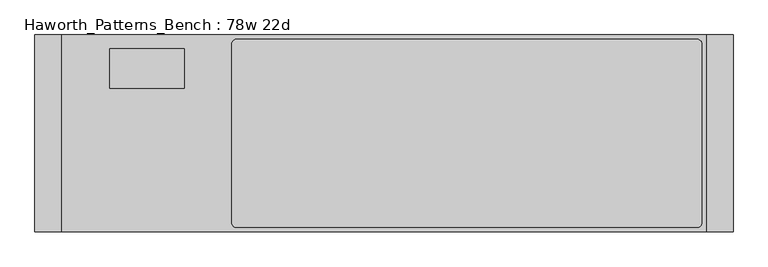
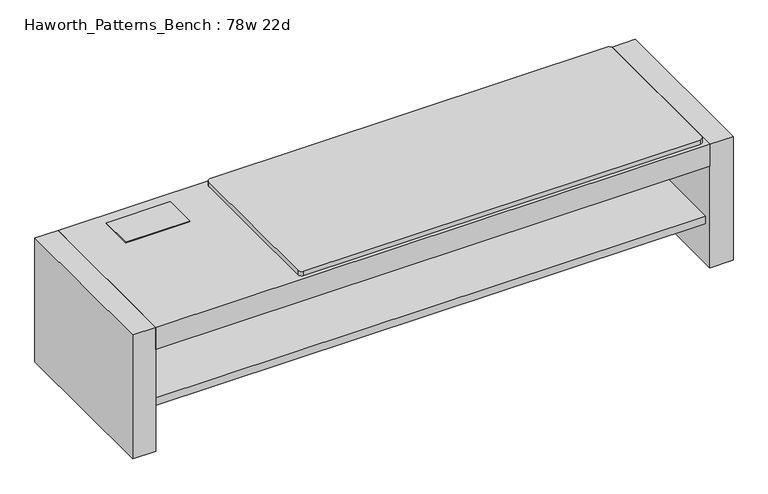
"""IFC4 building model written with IfcOpenShell, lengths in millimetres: furniture geometry, Haworth_Patterns_Bench : 78w 22d."""

import ifcopenshell
import ifcopenshell.guid

model = None  # the IFC model being written
_history = None  # IfcOwnerHistory: only IFC2X3 demands one
_inside = {}  # id of a spatial element -> (the spatial element, [elements in it])
_under = {}  # id of a project, library or spatial element -> (it, [spatial elements below it])
_declared = {}  # id of a project -> (the project, [libraries it declares])
_typed = {}  # id of a type object -> (the type object, [elements of that type])
_made_of = {}  # id of a material, layer set ... -> (it, [elements and type objects made of it])


def new_model(schema):
    """Start an empty IFC model of exactly this schema.

    Asked for "IFC4X3", IfcOpenShell would pick the latest addendum, in which some entities
    have other attributes; the version numbers below select the first issue.
    IFC2X3 requires an IfcOwnerHistory on every rooted entity: one is made here for all.
    """
    global model, _history
    if schema == "IFC4X3":
        model = ifcopenshell.file(schema_version=(4, 3, 0, 0))
    else:
        model = ifcopenshell.file(schema=schema)
    _inside.clear()
    _under.clear()
    _declared.clear()
    _typed.clear()
    _made_of.clear()
    _history = None
    if model.schema == "IFC2X3":
        org = make("IfcOrganization", Name="unknown")
        user = make(
            "IfcPersonAndOrganization",
            ThePerson=make("IfcPerson", FamilyName="unknown"),
            TheOrganization=org,
        )
        app = make(
            "IfcApplication",
            ApplicationDeveloper=org,
            Version="unknown",
            ApplicationFullName="unknown",
            ApplicationIdentifier="unknown",
        )
        _history = make(
            "IfcOwnerHistory",
            OwningUser=user,
            OwningApplication=app,
            ChangeAction="ADDED",
            CreationDate=0,
        )
    return model


def make(cls, **values):
    """One entity of the class cls with the attributes given. An attribute that is None is left unset."""
    return model.create_entity(
        cls, **{name: value for name, value in values.items() if value is not None}
    )


def rooted(cls, **values):
    """An entity with a GlobalId (a new one), such as an element, a storey or a relation."""
    return make(cls, GlobalId=ifcopenshell.guid.new(), OwnerHistory=_history, **values)


def si_unit(unit_type, name, prefix=None):
    """IfcSIUnit, for example si_unit("LENGTHUNIT", "METRE", prefix="MILLI")."""
    return make("IfcSIUnit", UnitType=unit_type, Prefix=prefix, Name=name)


def assignment(units):
    """IfcUnitAssignment: the units of a project."""
    return None if units is None else make("IfcUnitAssignment", Units=units)


def point(xyz):
    """IfcCartesianPoint."""
    return None if xyz is None else make("IfcCartesianPoint", Coordinates=xyz)


def direction(xyz):
    """IfcDirection."""
    return None if xyz is None else make("IfcDirection", DirectionRatios=xyz)


def frame(location, z_axis=None, x_axis=None):
    """IfcAxis2Placement3D, a coordinate frame: its origin and axes. An axis left out is left unset."""
    return make(
        "IfcAxis2Placement3D",
        Location=point(location),
        Axis=direction(z_axis),
        RefDirection=direction(x_axis),
    )


def frame_2d(location, x_axis=None):
    """IfcAxis2Placement2D, a coordinate frame in the plane: its origin and x axis."""
    return make(
        "IfcAxis2Placement2D", Location=point(location), RefDirection=direction(x_axis)
    )


def origin():
    """The frame at (0, 0, 0) with its axes left unset."""
    return frame((0.0, 0.0, 0.0))


def origin_with_axes():
    """The frame at (0, 0, 0) with the z axis (0, 0, 1) and the x axis (1, 0, 0) written out."""
    return frame((0.0, 0.0, 0.0), z_axis=(0.0, 0.0, 1.0), x_axis=(1.0, 0.0, 0.0))


def place(relative_to, where):
    """IfcLocalPlacement: puts the frame where relative to a parent placement (None: the world)."""
    return make(
        "IfcLocalPlacement", PlacementRelTo=relative_to, RelativePlacement=where
    )


def context(
    kind, dimensions, precision=None, world=None, true_north=None, identifier=None
):
    """IfcGeometricRepresentationContext, for example the 3D "Model" context."""
    return make(
        "IfcGeometricRepresentationContext",
        ContextIdentifier=identifier,
        ContextType=kind,
        CoordinateSpaceDimension=dimensions,
        Precision=precision,
        WorldCoordinateSystem=world,
        TrueNorth=true_north,
    )


def project(units=None, contexts=None):
    """IfcProject with its units and contexts."""
    return rooted(
        "IfcProject",
        Name="project",
        RepresentationContexts=contexts,
        UnitsInContext=assignment(units),
    )


def spatial(cls, under=None, at=None, **own):
    """A site, building, storey or space (cls), placed at a placement, below another one or the project."""
    s = rooted(cls, ObjectPlacement=at, **own)
    if under is not None:
        _under.setdefault(under.id(), (under, []))[1].append(s)
    return s


def polyline(points):
    """IfcPolyline through the points."""
    return make("IfcPolyline", Points=[point(p) for p in points])


def circle_curve(where, radius):
    """IfcCircle in the frame where."""
    return make("IfcCircle", Position=where, Radius=radius)


def trimmed(basis, trim1, trim2, sense, master):
    """IfcTrimmedCurve: the piece of a basis curve between two trims."""
    return make(
        "IfcTrimmedCurve",
        BasisCurve=basis,
        Trim1=trim1,
        Trim2=trim2,
        SenseAgreement=sense,
        MasterRepresentation=master,
    )


def segment(curve, same_sense, transition):
    """IfcCompositeCurveSegment."""
    return make(
        "IfcCompositeCurveSegment",
        Transition=transition,
        SameSense=same_sense,
        ParentCurve=curve,
    )


def composite_curve(segments, self_intersect=None):
    """IfcCompositeCurve: segments joined end to end."""
    return make("IfcCompositeCurve", Segments=segments, SelfIntersect=self_intersect)


def outline(outer, holes=None, kind="AREA"):
    """IfcArbitraryClosedProfileDef: a profile drawn as a closed curve; with holes, ...WithVoids."""
    if holes is None:
        return make("IfcArbitraryClosedProfileDef", ProfileType=kind, OuterCurve=outer)
    return make(
        "IfcArbitraryProfileDefWithVoids",
        ProfileType=kind,
        OuterCurve=outer,
        InnerCurves=holes,
    )


def extrude(swept, where, along, depth):
    """IfcExtrudedAreaSolid: the profile swept, set in the frame where, extruded along a direction by depth."""
    return make(
        "IfcExtrudedAreaSolid",
        SweptArea=swept,
        Position=where,
        ExtrudedDirection=direction(along),
        Depth=depth,
    )


def faces_of(points, faces, orient=None, outer=None):
    """IfcFace entities. A face is a list of loops; a loop is a list of indices into points, from 0.

    orient and outer hold one flag for each loop. By default every Orientation is true, the
    first loop of a face is its IfcFaceOuterBound and the others are IfcFaceBound.
    """
    made = []
    for i, loops in enumerate(faces):
        bounds = []
        for j, loop in enumerate(loops):
            is_outer = j == 0 if outer is None else outer[i][j]
            bounds.append(
                make(
                    "IfcFaceOuterBound" if is_outer else "IfcFaceBound",
                    Bound=make("IfcPolyLoop", Polygon=[points[k] for k in loop]),
                    Orientation=True if orient is None else orient[i][j],
                )
            )
        made.append(make("IfcFace", Bounds=bounds))
    return made


def faceted_brep(points, faces, orient=None, outer=None, voids=None):
    """IfcFacetedBrep: a solid bounded by flat faces; with voids (closed shells), ...WithVoids."""
    shared = [point(p) for p in points]
    hull = make("IfcClosedShell", CfsFaces=faces_of(shared, faces, orient, outer))
    if voids is None:
        return make("IfcFacetedBrep", Outer=hull)
    return make(
        "IfcFacetedBrepWithVoids",
        Outer=hull,
        Voids=[
            make(cls, CfsFaces=faces_of(shared, fs, o, b)) for cls, fs, o, b in voids
        ],
    )


def shape(context_of_items, identifier, shape_type, items):
    """IfcShapeRepresentation: the items that make up one representation, for example the "Body"."""
    return make(
        "IfcShapeRepresentation",
        ContextOfItems=context_of_items,
        RepresentationIdentifier=identifier,
        RepresentationType=shape_type,
        Items=items,
    )


def source(mapping_origin, context_of_items, identifier, shape_type, items):
    """IfcRepresentationMap: a shape defined once, which mapped items show again and again."""
    return make(
        "IfcRepresentationMap",
        MappingOrigin=mapping_origin,
        MappedRepresentation=shape(context_of_items, identifier, shape_type, items),
    )


def transform(
    local_origin,
    x_axis=None,
    y_axis=None,
    z_axis=None,
    scale=None,
    scale2=None,
    scale3=None,
    uniform=True,
):
    """IfcCartesianTransformationOperator3D, or its non-uniform kind. x_axis, y_axis, z_axis: its Axis1, 2, 3."""
    if uniform:
        return make(
            "IfcCartesianTransformationOperator3D",
            Axis1=direction(x_axis),
            Axis2=direction(y_axis),
            LocalOrigin=point(local_origin),
            Scale=scale,
            Axis3=direction(z_axis),
        )
    return make(
        "IfcCartesianTransformationOperator3DnonUniform",
        Axis1=direction(x_axis),
        Axis2=direction(y_axis),
        LocalOrigin=point(local_origin),
        Scale=scale,
        Axis3=direction(z_axis),
        Scale2=scale2,
        Scale3=scale3,
    )


def mapped(mapping_source, mapping_target):
    """IfcMappedItem: shows the shape of a source again, moved by a transform."""
    return make(
        "IfcMappedItem", MappingSource=mapping_source, MappingTarget=mapping_target
    )


def made_of(thing, what):
    """Note that an element or type object is made of a material, layer set ...; save() writes the relation."""
    if what is not None:
        _made_of.setdefault(what.id(), (what, []))[1].append(thing)
    return thing


def element(
    cls,
    number,
    at=None,
    inside=None,
    cuts=None,
    type_object=None,
    material=None,
    context=None,
    identifier="Body",
    shape_type=None,
    held_by="IfcProductDefinitionShape",
    body=None,
    shapes=None,
    **own,
):
    """One element of the class cls, such as IfcWall. Its Tag is "e" and its number.

    at: its placement. inside: the storey or other place that contains it. cuts: it is an
    opening in that element (IfcRelVoidsElement). A single representation is given by context,
    identifier, shape_type and body (its items); several are given by shapes. held_by: the class
    of the entity that holds the representations. save() writes the other relations.
    """
    e = rooted(cls, Tag="e%d" % number, ObjectPlacement=at, **own)
    if body is not None:
        shapes = [shape(context, identifier, shape_type, body)]
    if shapes is not None:
        e.Representation = make(held_by, Representations=shapes)
    if inside is not None:
        _inside.setdefault(inside.id(), (inside, []))[1].append(e)
    if cuts is not None:
        rooted(
            "IfcRelVoidsElement", RelatingBuildingElement=cuts, RelatedOpeningElement=e
        )
    if type_object is not None:
        _typed.setdefault(type_object.id(), (type_object, []))[1].append(e)
    return made_of(e, material)


def aggregate(whole, parts):
    """IfcRelAggregates: a whole, such as a stair, and the parts it consists of."""
    return rooted("IfcRelAggregates", RelatingObject=whole, RelatedObjects=parts)


def save(model, path):
    """Write the relations noted so far, then the file.

    IfcRelAggregates (storeys below a building ...), IfcRelContainedInSpatialStructure (elements
    in a storey), IfcRelDefinesByType, IfcRelAssociatesMaterial and IfcRelDeclares: one each for
    every whole, place, type object, material and project.
    """
    for whole, parts in _under.values():
        aggregate(whole, parts)
    for where, things in _inside.values():
        rooted(
            "IfcRelContainedInSpatialStructure",
            RelatedElements=things,
            RelatingStructure=where,
        )
    for kind, things in _typed.values():
        rooted("IfcRelDefinesByType", RelatedObjects=things, RelatingType=kind)
    for what, things in _made_of.values():
        rooted("IfcRelAssociatesMaterial", RelatedObjects=things, RelatingMaterial=what)
    for by, libraries in _declared.values():
        rooted("IfcRelDeclares", RelatingContext=by, RelatedDefinitions=libraries)
    model.write(path)


def haworth_patterns_bench_78w_22d_c0e7612b(model_context):
    return source(origin(), model_context, "Body", "SolidModel", [
        extrude(outline(composite_curve([segment(trimmed(circle_curve(frame_2d((889.0, -25.4)), 12.7), [point((889.0, -12.7))], [point((901.7, -25.4))], False, "CARTESIAN"), True, "CONTINUOUS"), segment(polyline([(901.7, -25.4), (901.7, -533.4)]), True, "CONTINUOUS"), segment(trimmed(circle_curve(frame_2d((889.0, -533.4)), 12.7), [point((901.7, -533.4))], [point((889.0, -546.1))], False, "CARTESIAN"), True, "CONTINUOUS"), segment(polyline([(889.0, -546.1), (-419.1, -546.1)]), True, "CONTINUOUS"), segment(trimmed(circle_curve(frame_2d((-419.1, -533.4)), 12.7), [point((-419.1, -546.1))], [point((-431.8, -533.4))], False, "CARTESIAN"), True, "CONTINUOUS"), segment(polyline([(-431.8, -533.4), (-431.8, -25.4)]), True, "CONTINUOUS"), segment(trimmed(circle_curve(frame_2d((-419.1, -25.4)), 12.7), [point((-431.8, -25.4))], [point((-419.1, -12.7))], False, "CARTESIAN"), True, "CONTINUOUS"), segment(polyline([(-419.1, -12.7), (889.0, -12.7)]), True, "CONTINUOUS")], self_intersect=False)), frame((0.0, 0.0, 431.8), z_axis=(0.0, 0.0, 1.0), x_axis=(1.0, 0.0, 0.0)), (0.0, 0.0, 1.0), 15.875),
        faceted_brep([(-567.53125, -39.6875, 434.975), (-778.66875, -39.6875, 434.975), (-778.66875, -150.8125, 434.975), (-567.53125, -150.8125, 434.975), (-567.53125, -39.6875, 431.8), (-567.53125, -150.8125, 431.8), (-778.66875, -150.8125, 431.8), (-778.66875, -39.6875, 431.8), (-570.70625, -44.45, 431.8), (-775.49375, -44.45, 431.8), (-775.49375, -146.05, 431.8), (-570.70625, -146.05, 431.8), (-570.70625, -44.45, 361.95), (-570.70625, -146.05, 361.95), (-775.49375, -146.05, 361.95), (-775.49375, -44.45, 361.95)], [[[0, 1, 2, 3]], [[4, 5, 6, 7], [8, 9, 10, 11]], [[1, 0, 4, 7]], [[2, 1, 7, 6]], [[3, 2, 6, 5]], [[0, 3, 5, 4]], [[12, 13, 14, 15]], [[12, 15, 9, 8]], [[15, 14, 10, 9]], [[14, 13, 11, 10]], [[13, 12, 8, 11]]]),
        extrude(outline(polyline([(914.4, 0.0), (914.4, -558.8), (-914.4, -558.8), (-914.4, 0.0), (914.4, 0.0)])), frame((0.0, 0.0, 355.6), z_axis=(0.0, 0.0, 1.0), x_axis=(1.0, 0.0, 0.0)), (0.0, 0.0, 1.0), 76.2),
        extrude(outline(polyline([(914.4, -25.4), (914.4, -533.4), (-914.4, -533.4), (-914.4, -25.4), (914.4, -25.4)])), frame((0.0, 0.0, 139.7), z_axis=(0.0, 0.0, 1.0), x_axis=(1.0, 0.0, 0.0)), (0.0, 0.0, 1.0), 25.4),
        extrude(outline(polyline([(914.4, -254.0), (914.4, -304.8), (-914.4, -304.8), (-914.4, -254.0), (914.4, -254.0)])), frame((0.0, 0.0, 165.1), z_axis=(0.0, 0.0, 1.0), x_axis=(1.0, 0.0, 0.0)), (0.0, 0.0, 1.0), 190.5),
        extrude(outline(polyline([(914.4, 0.0), (990.6, 0.0), (990.6, -558.8), (914.4, -558.8), (914.4, 0.0)])), origin_with_axes(), (0.0, 0.0, 1.0), 431.8),
        extrude(outline(polyline([(-914.4, 0.0), (-914.4, -558.8), (-990.6, -558.8), (-990.6, 0.0), (-914.4, 0.0)])), origin_with_axes(), (0.0, 0.0, 1.0), 431.8),
    ])


if __name__ == "__main__":
    model = new_model("IFC4")
    model_context = context("Model", 3, world=origin())
    ifc_project = project(units=[si_unit("LENGTHUNIT", "METRE", prefix="MILLI")], contexts=[model_context])
    site = spatial("IfcSite", under=ifc_project)
    building = spatial("IfcBuilding", under=site)
    placement = place(None, origin())
    haworth_patterns_bench_78w_22d_shape = haworth_patterns_bench_78w_22d_c0e7612b(model_context)
    element("IfcFurniture", 1, ObjectType="Haworth_Patterns_Bench : 78w 22d", at=placement, inside=building, context=model_context, shape_type="MappedRepresentation", body=[
        mapped(haworth_patterns_bench_78w_22d_shape, transform((0.0, 0.0, 0.0), x_axis=(1.0, 0.0, 0.0), y_axis=(0.0, 1.0, 0.0), z_axis=(0.0, 0.0, 1.0))),
    ])
    save(model, "model.ifc")
